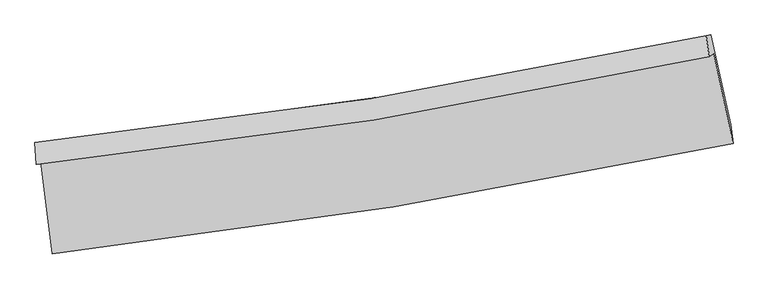
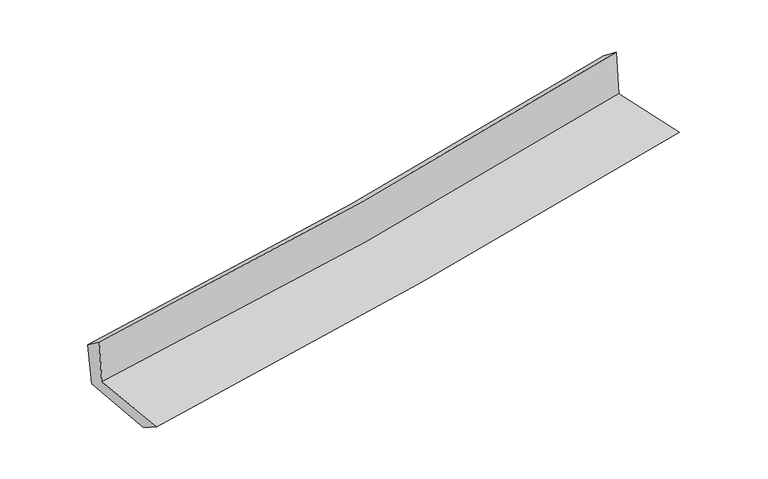
"""IFC4 building model written with IfcOpenShell, lengths in millimetres: proxy geometry."""

import ifcopenshell
import ifcopenshell.guid

model = None  # the IFC model being written
_history = None  # IfcOwnerHistory: only IFC2X3 demands one
_inside = {}  # id of a spatial element -> (the spatial element, [elements in it])
_under = {}  # id of a project, library or spatial element -> (it, [spatial elements below it])
_declared = {}  # id of a project -> (the project, [libraries it declares])
_typed = {}  # id of a type object -> (the type object, [elements of that type])
_made_of = {}  # id of a material, layer set ... -> (it, [elements and type objects made of it])


def new_model(schema):
    """Start an empty IFC model of exactly this schema.

    Asked for "IFC4X3", IfcOpenShell would pick the latest addendum, in which some entities
    have other attributes; the version numbers below select the first issue.
    IFC2X3 requires an IfcOwnerHistory on every rooted entity: one is made here for all.
    """
    global model, _history
    if schema == "IFC4X3":
        model = ifcopenshell.file(schema_version=(4, 3, 0, 0))
    else:
        model = ifcopenshell.file(schema=schema)
    _inside.clear()
    _under.clear()
    _declared.clear()
    _typed.clear()
    _made_of.clear()
    _history = None
    if model.schema == "IFC2X3":
        org = make("IfcOrganization", Name="unknown")
        user = make(
            "IfcPersonAndOrganization",
            ThePerson=make("IfcPerson", FamilyName="unknown"),
            TheOrganization=org,
        )
        app = make(
            "IfcApplication",
            ApplicationDeveloper=org,
            Version="unknown",
            ApplicationFullName="unknown",
            ApplicationIdentifier="unknown",
        )
        _history = make(
            "IfcOwnerHistory",
            OwningUser=user,
            OwningApplication=app,
            ChangeAction="ADDED",
            CreationDate=0,
        )
    return model


def make(cls, **values):
    """One entity of the class cls with the attributes given. An attribute that is None is left unset."""
    return model.create_entity(
        cls, **{name: value for name, value in values.items() if value is not None}
    )


def rooted(cls, **values):
    """An entity with a GlobalId (a new one), such as an element, a storey or a relation."""
    return make(cls, GlobalId=ifcopenshell.guid.new(), OwnerHistory=_history, **values)


def si_unit(unit_type, name, prefix=None):
    """IfcSIUnit, for example si_unit("LENGTHUNIT", "METRE", prefix="MILLI")."""
    return make("IfcSIUnit", UnitType=unit_type, Prefix=prefix, Name=name)


def assignment(units):
    """IfcUnitAssignment: the units of a project."""
    return None if units is None else make("IfcUnitAssignment", Units=units)


def point(xyz):
    """IfcCartesianPoint."""
    return None if xyz is None else make("IfcCartesianPoint", Coordinates=xyz)


def direction(xyz):
    """IfcDirection."""
    return None if xyz is None else make("IfcDirection", DirectionRatios=xyz)


def frame(location, z_axis=None, x_axis=None):
    """IfcAxis2Placement3D, a coordinate frame: its origin and axes. An axis left out is left unset."""
    return make(
        "IfcAxis2Placement3D",
        Location=point(location),
        Axis=direction(z_axis),
        RefDirection=direction(x_axis),
    )


def origin():
    """The frame at (0, 0, 0) with its axes left unset."""
    return frame((0.0, 0.0, 0.0))


def place(relative_to, where):
    """IfcLocalPlacement: puts the frame where relative to a parent placement (None: the world)."""
    return make(
        "IfcLocalPlacement", PlacementRelTo=relative_to, RelativePlacement=where
    )


def context(
    kind, dimensions, precision=None, world=None, true_north=None, identifier=None
):
    """IfcGeometricRepresentationContext, for example the 3D "Model" context."""
    return make(
        "IfcGeometricRepresentationContext",
        ContextIdentifier=identifier,
        ContextType=kind,
        CoordinateSpaceDimension=dimensions,
        Precision=precision,
        WorldCoordinateSystem=world,
        TrueNorth=true_north,
    )


def project(units=None, contexts=None):
    """IfcProject with its units and contexts."""
    return rooted(
        "IfcProject",
        Name="project",
        RepresentationContexts=contexts,
        UnitsInContext=assignment(units),
    )


def spatial(cls, under=None, at=None, **own):
    """A site, building, storey or space (cls), placed at a placement, below another one or the project."""
    s = rooted(cls, ObjectPlacement=at, **own)
    if under is not None:
        _under.setdefault(under.id(), (under, []))[1].append(s)
    return s


def shape(context_of_items, identifier, shape_type, items):
    """IfcShapeRepresentation: the items that make up one representation, for example the "Body"."""
    return make(
        "IfcShapeRepresentation",
        ContextOfItems=context_of_items,
        RepresentationIdentifier=identifier,
        RepresentationType=shape_type,
        Items=items,
    )


def source(mapping_origin, context_of_items, identifier, shape_type, items):
    """IfcRepresentationMap: a shape defined once, which mapped items show again and again."""
    return make(
        "IfcRepresentationMap",
        MappingOrigin=mapping_origin,
        MappedRepresentation=shape(context_of_items, identifier, shape_type, items),
    )


def transform(
    local_origin,
    x_axis=None,
    y_axis=None,
    z_axis=None,
    scale=None,
    scale2=None,
    scale3=None,
    uniform=True,
):
    """IfcCartesianTransformationOperator3D, or its non-uniform kind. x_axis, y_axis, z_axis: its Axis1, 2, 3."""
    if uniform:
        return make(
            "IfcCartesianTransformationOperator3D",
            Axis1=direction(x_axis),
            Axis2=direction(y_axis),
            LocalOrigin=point(local_origin),
            Scale=scale,
            Axis3=direction(z_axis),
        )
    return make(
        "IfcCartesianTransformationOperator3DnonUniform",
        Axis1=direction(x_axis),
        Axis2=direction(y_axis),
        LocalOrigin=point(local_origin),
        Scale=scale,
        Axis3=direction(z_axis),
        Scale2=scale2,
        Scale3=scale3,
    )


def mapped(mapping_source, mapping_target):
    """IfcMappedItem: shows the shape of a source again, moved by a transform."""
    return make(
        "IfcMappedItem", MappingSource=mapping_source, MappingTarget=mapping_target
    )


def made_of(thing, what):
    """Note that an element or type object is made of a material, layer set ...; save() writes the relation."""
    if what is not None:
        _made_of.setdefault(what.id(), (what, []))[1].append(thing)
    return thing


def element(
    cls,
    number,
    at=None,
    inside=None,
    cuts=None,
    type_object=None,
    material=None,
    context=None,
    identifier="Body",
    shape_type=None,
    held_by="IfcProductDefinitionShape",
    body=None,
    shapes=None,
    **own,
):
    """One element of the class cls, such as IfcWall. Its Tag is "e" and its number.

    at: its placement. inside: the storey or other place that contains it. cuts: it is an
    opening in that element (IfcRelVoidsElement). A single representation is given by context,
    identifier, shape_type and body (its items); several are given by shapes. held_by: the class
    of the entity that holds the representations. save() writes the other relations.
    """
    e = rooted(cls, Tag="e%d" % number, ObjectPlacement=at, **own)
    if body is not None:
        shapes = [shape(context, identifier, shape_type, body)]
    if shapes is not None:
        e.Representation = make(held_by, Representations=shapes)
    if inside is not None:
        _inside.setdefault(inside.id(), (inside, []))[1].append(e)
    if cuts is not None:
        rooted(
            "IfcRelVoidsElement", RelatingBuildingElement=cuts, RelatedOpeningElement=e
        )
    if type_object is not None:
        _typed.setdefault(type_object.id(), (type_object, []))[1].append(e)
    return made_of(e, material)


def aggregate(whole, parts):
    """IfcRelAggregates: a whole, such as a stair, and the parts it consists of."""
    return rooted("IfcRelAggregates", RelatingObject=whole, RelatedObjects=parts)


def save(model, path):
    """Write the relations noted so far, then the file.

    IfcRelAggregates (storeys below a building ...), IfcRelContainedInSpatialStructure (elements
    in a storey), IfcRelDefinesByType, IfcRelAssociatesMaterial and IfcRelDeclares: one each for
    every whole, place, type object, material and project.
    """
    for whole, parts in _under.values():
        aggregate(whole, parts)
    for where, things in _inside.values():
        rooted(
            "IfcRelContainedInSpatialStructure",
            RelatedElements=things,
            RelatingStructure=where,
        )
    for kind, things in _typed.values():
        rooted("IfcRelDefinesByType", RelatedObjects=things, RelatingType=kind)
    for what, things in _made_of.values():
        rooted("IfcRelAssociatesMaterial", RelatedObjects=things, RelatingMaterial=what)
    for by, libraries in _declared.values():
        rooted("IfcRelDeclares", RelatingContext=by, RelatedDefinitions=libraries)
    model.write(path)


def plane_surface(at):
    """IfcPlane: the flat surface through the origin of the frame at, square to its z axis."""
    return make("IfcPlane", Position=at)


def spline_curve(degree, points, multiplicities, knots, weights=None):
    """IfcBSplineCurveWithKnots; with weights, IfcRationalBSplineCurveWithKnots."""
    own = dict(
        Degree=degree,
        ControlPointsList=[point(p) for p in points],
        CurveForm="UNSPECIFIED",
        ClosedCurve=False,
        SelfIntersect=False,
        KnotMultiplicities=multiplicities,
        Knots=knots,
        KnotSpec="UNSPECIFIED",
    )
    if weights is None:
        return make("IfcBSplineCurveWithKnots", **own)
    return make("IfcRationalBSplineCurveWithKnots", WeightsData=weights, **own)


def spline_surface(u_degree, v_degree, points, u_multiplicities, v_multiplicities, u_knots, v_knots, weights=None):
    """IfcBSplineSurfaceWithKnots; with weights, IfcRationalBSplineSurfaceWithKnots. points: one row for each step in u."""
    own = dict(
        UDegree=u_degree,
        VDegree=v_degree,
        ControlPointsList=[[point(p) for p in row] for row in points],
        SurfaceForm="UNSPECIFIED",
        UClosed=False,
        VClosed=False,
        SelfIntersect=False,
        UMultiplicities=u_multiplicities,
        VMultiplicities=v_multiplicities,
        UKnots=u_knots,
        VKnots=v_knots,
        KnotSpec="UNSPECIFIED",
    )
    if weights is None:
        return make("IfcBSplineSurfaceWithKnots", **own)
    return make("IfcRationalBSplineSurfaceWithKnots", WeightsData=weights, **own)


def advanced_brep(points, edges, surfaces, faces):
    """IfcAdvancedBrep: a solid bounded by faces that lie on surfaces and meet in shared edges.

    An edge is (start, end): straight between two places in points (the first is 0);
    or (start, end, curve); or (start, end, curve, False) where it runs against its curve.
    A face is (place in surfaces, loops), or (place, loops, False) where it looks against
    its surface's normal. A loop lists edges by number (the first is 1), with a minus sign
    where the edge is run from its end to its start. The first loop is the outer one.
    """
    corners = [point(p) for p in points]
    vertices = [make("IfcVertexPoint", VertexGeometry=c) for c in corners]
    made = []
    for start, end, *more in edges:
        made.append(
            make(
                "IfcEdgeCurve",
                EdgeStart=vertices[start],
                EdgeEnd=vertices[end],
                EdgeGeometry=more[0] if more else make("IfcPolyline", Points=[corners[start], corners[end]]),
                SameSense=more[1] if len(more) > 1 else True,
            )
        )
    hull = []
    for where, loops, *sense in faces:
        bounds = []
        for j, loop in enumerate(loops):
            ring = [make("IfcOrientedEdge", EdgeElement=made[abs(k) - 1], Orientation=k > 0) for k in loop]
            bounds.append(
                make(
                    "IfcFaceOuterBound" if j == 0 else "IfcFaceBound",
                    Bound=make("IfcEdgeLoop", EdgeList=ring),
                    Orientation=True,
                )
            )
        hull.append(make("IfcAdvancedFace", Bounds=bounds, FaceSurface=surfaces[where], SameSense=sense[0] if sense else True))
    return make("IfcAdvancedBrep", Outer=make("IfcClosedShell", CfsFaces=hull))


def generic_models_6ede402a(model_context):
    return source(origin(), model_context, "Body", "AdvancedBrep", [
        advanced_brep(
        [(-2514.131384, -1873.5671263, 1674.7294955), (-2426.6528578, -2557.0779267, 1644.9398014), (2599.1199911, -1740.4665385, 2105.1071188), (2456.4174118, -1075.5753135, 2108.1425266), (-2546.1023443, -1894.1861224, 2061.4387053), (2422.7444685, -1097.2919676, 2515.4383084), (-2555.7191046, -1733.2563694, 1945.4871906), (2401.0430256, -942.7348454, 2394.2412524), (-2522.3000251, -1736.8101211, 1576.1541924), (2434.3340678, -936.1861881, 2025.5321907), (-2438.7035081, -2377.7027463, 1530.611638), (2580.3284144, -1599.6728726, 1984.3161358)],
        [
            (0, 1),
            (1, 2, spline_curve(3, [(-2426.6528578, -2557.0779267, 1644.9398014), (-1584.918487959, -2459.397891117, 1730.270686061), (-745.944636482, -2342.655167701, 1811.225629062), (929.331827645, -2070.581523761, 1964.644611938), (1765.61559236, -1915.120450811, 2037.078774708), (2599.1199911, -1740.4665385, 2105.1071188)], [4, 2, 4], [0.0, 8.326701916424526, 16.681781054965157])),
            (2, 3),
            (3, 0, spline_curve(3, [(2456.4174118, -1075.5753135, 2108.1425266), (1634.111232053, -1256.234062128, 2037.371662315), (808.034727058, -1413.135530981, 1965.805687926), (-848.840439171, -1678.971697396, 1821.329285734), (-1679.61353273, -1788.06749936, 1748.424249996), (-2514.131384, -1873.5671263, 1674.7294955)], [4, 2, 4], [0.0, 8.355079138540631, 16.681781054965157])),
            (4, 0),
            (3, 5),
            (5, 4, spline_curve(3, [(2422.7444685, -1097.2919676, 2515.4383084), (1600.438667255, -1277.950472301, 2444.662865793), (774.504666158, -1434.760036208, 2371.373216958), (-881.802208785, -1700.229694833, 2220.022966341), (-1712.150478307, -1809.051515842, 2141.979414273), (-2546.1023443, -1894.1861224, 2061.4387053)], [4, 2, 4], [0.0, 8.306808420669327, 16.585403566069733])),
            (6, 4),
            (5, 7),
            (7, 6, spline_curve(3, [(2401.0430256, -942.7348454, 2394.2412524), (1580.484390682, -1120.462590314, 2322.955850837), (756.432972385, -1275.276406229, 2249.850272861), (-895.844756755, -1538.6281955, 2100.253242452), (-1724.047381834, -1647.321553914, 2023.774133154), (-2555.7191046, -1733.2563694, 1945.4871906)], [4, 2, 4], [0.0, 8.295692812311968, 16.56321010244892])),
            (8, 6),
            (7, 9),
            (9, 8, spline_curve(3, [(2434.3340678, -936.1861881, 2025.5321907), (1613.96449576, -1112.178116521, 1947.648411742), (790.018154281, -1266.970234789, 1871.197085608), (-862.217465084, -1533.701117395, 1721.414133175), (-1690.482488032, -1645.783643514, 1648.072793447), (-2522.3000251, -1736.8101211, 1576.1541924)], [4, 2, 4], [0.0, 8.285524089343912, 16.54290719360163])),
            (10, 8),
            (9, 11),
            (11, 10, spline_curve(3, [(2580.3284144, -1599.6728726, 1984.3161358), (1746.449859222, -1756.46571114, 1906.497674619), (910.542991265, -1899.785364418, 1829.717182276), (-762.481404075, -2159.037290549, 1678.489388513), (-1599.585177055, -2275.060928232, 1604.035048151), (-2438.7035081, -2377.7027463, 1530.611638)], [4, 2, 4], [0.0, 8.333283753954316, 16.638264311718462])),
            (1, 10),
            (11, 2),
        ],
        [
            spline_surface(3, 3, [[(-2514.131384, -1873.5671263, 1674.7294955), (-1679.613532686, -1788.067499487, 1748.424249867), (-848.840439152, -1678.971697365, 1821.329285713), (808.034727039, -1413.135531013, 1965.805687947), (1634.111232127, -1256.23406219, 2037.371662452), (2456.4174118, -1075.5753135, 2108.1425266)], [(-2484.97187527, -2101.404059749, 1664.799597468), (-1648.048517798, -2011.84429669, 1742.373061899), (-814.541838231, -1900.199520836, 1817.961400149), (848.467093872, -1632.28419521, 1965.418662587), (1677.946018828, -1475.862858416, 2037.274033161), (2503.984938233, -1297.205721839, 2107.130723986)], [(-2455.81236653, -2329.240993251, 1654.869699432), (-1616.483502902, -2235.621093946, 1736.321873926), (-780.243237304, -2121.427344347, 1814.593514641), (888.899460712, -1851.432859447, 1965.031637283), (1721.780805528, -1695.491654626, 2037.176403909), (2551.552464667, -1518.836130161, 2106.118921414)], [(-2426.6528578, -2557.0779267, 1644.9398014), (-1584.918488015, -2459.397891149, 1730.270685957), (-745.944636382, -2342.655167818, 1811.225629077), (929.331827545, -2070.581523645, 1964.644611923), (1765.615592229, -1915.120450852, 2037.078774618), (2599.1199911, -1740.4665385, 2105.1071188)]], [4, 4], [4, 2, 4], [0.0, 2.19825083757981], [0.0, 8.326701916424526, 16.681781054965157]),
            spline_surface(3, 3, [[(-2546.1023443, -1894.1861224, 2061.4387053), (-1712.150478329, -1809.051515888, 2141.979414315), (-881.802208692, -1700.229694913, 2220.02296638), (774.504666064, -1434.760036127, 2371.373216919), (1600.438667339, -1277.950472177, 2444.662865911), (2422.7444685, -1097.2919676, 2515.4383084)], [(-2535.445357511, -1887.313123701, 1932.535635361), (-1701.30482976, -1802.056843755, 2010.794359493), (-870.814952172, -1693.143695721, 2087.125072845), (785.681353062, -1427.551867747, 2236.184040616), (1611.662855601, -1270.711668859, 2308.899131439), (2433.968782933, -1090.053082911, 2379.673047814)], [(-2524.788370789, -1880.440124999, 1803.632565439), (-1690.459181256, -1795.06217162, 1879.609304689), (-859.827695672, -1686.057696557, 1954.227179248), (796.85804004, -1420.343699393, 2100.994864251), (1622.887043864, -1263.472865509, 2173.135396925), (2445.193097367, -1082.814198189, 2243.907787186)], [(-2514.131384, -1873.5671263, 1674.7294955), (-1679.613532686, -1788.067499487, 1748.424249867), (-848.840439152, -1678.971697365, 1821.329285713), (808.034727039, -1413.135531013, 1965.805687947), (1634.111232127, -1256.23406219, 2037.371662452), (2456.4174118, -1075.5753135, 2108.1425266)]], [4, 4], [4, 2, 4], [0.0, 1.3257334698275836], [0.0, 8.278595145400406, 16.585403566069733]),
            spline_surface(3, 3, [[(-2555.7191046, -1733.2563694, 1945.4871906), (-1724.047381735, -1647.321554019, 2023.774133134), (-895.844756645, -1538.628195413, 2100.253242468), (756.432972275, -1275.276406315, 2249.850272845), (1580.484390571, -1120.462590283, 2322.955850777), (2401.0430256, -942.7348454, 2394.2412524)], [(-2552.513517851, -1786.899620405, 1984.137695509), (-1720.081747284, -1701.231541314, 2063.175893536), (-891.163907352, -1592.495361936, 2140.176483766), (762.45687018, -1328.437616276, 2290.357920864), (1587.135816147, -1172.958550929, 2363.524855819), (2408.276839886, -994.253886148, 2434.640271064)], [(-2549.307931049, -1840.542871395, 2022.788200391), (-1716.116112781, -1755.141528593, 2102.577653912), (-886.483057985, -1646.36252839, 2180.099725082), (768.480768159, -1381.598826167, 2330.865568901), (1593.787241763, -1225.454511531, 2404.093860869), (2415.510654214, -1045.772926852, 2475.039289736)], [(-2546.1023443, -1894.1861224, 2061.4387053), (-1712.150478329, -1809.051515888, 2141.979414315), (-881.802208692, -1700.229694913, 2220.02296638), (774.504666064, -1434.760036127, 2371.373216919), (1600.438667339, -1277.950472177, 2444.662865911), (2422.7444685, -1097.2919676, 2515.4383084)]], [4, 4], [4, 2, 4], [0.0, 0.6609655898542675], [0.0, 8.267517290136952, 16.56321010244892]),
            spline_surface(3, 3, [[(-2522.3000251, -1736.8101211, 1576.1541924), (-1690.482487911, -1645.783643526, 1648.072793327), (-862.217465078, -1533.701117429, 1721.414133266), (790.018154275, -1266.970234755, 1871.197085517), (1613.964495728, -1112.178116556, 1947.648411672), (2434.3340678, -936.1861881, 2025.5321907)], [(-2533.439718266, -1735.625537188, 1699.265191792), (-1701.670785852, -1646.296280345, 1773.306573254), (-873.426562245, -1535.343476733, 1847.693836328), (778.82309363, -1269.738958584, 1997.414814621), (1602.804460676, -1114.939607791, 2072.750891363), (2423.237053733, -938.369073859, 2148.435211256)], [(-2544.579411434, -1734.440953312, 1822.376191208), (-1712.859083794, -1646.8089172, 1898.540353206), (-884.635659478, -1536.98583611, 1973.973539406), (767.62803292, -1272.507682486, 2123.632543741), (1591.644425623, -1117.701099048, 2197.853371086), (2412.140039667, -940.551959641, 2271.338231844)], [(-2555.7191046, -1733.2563694, 1945.4871906), (-1724.047381735, -1647.321554019, 2023.774133134), (-895.844756645, -1538.628195413, 2100.253242468), (756.432972275, -1275.276406315, 2249.850272845), (1580.484390571, -1120.462590283, 2322.955850777), (2401.0430256, -942.7348454, 2394.2412524)]], [4, 4], [4, 2, 4], [0.0, 1.2476754768872942], [0.0, 8.257383104257716, 16.54290719360163]),
            spline_surface(3, 3, [[(-2438.7035081, -2377.7027463, 1530.611638), (-1599.585176968, -2275.060928234, 1604.035048038), (-762.481404094, -2159.037290422, 1678.48938847), (910.542991284, -1899.785364546, 1829.717182319), (1746.449859235, -1756.465711074, 1906.497674487), (2580.3284144, -1599.6728726, 1984.3161358)], [(-2466.569013758, -2164.071871253, 1545.792489477), (-1629.884280607, -2065.301833352, 1618.714296478), (-795.72675776, -1950.59189942, 1692.797636742), (870.36804561, -1688.846987945, 1843.543816725), (1702.288071411, -1541.703179544, 1920.214586895), (2531.663632212, -1378.510644409, 1998.05482078)], [(-2494.434519442, -1950.440996147, 1560.973340923), (-1660.183384272, -1855.542738409, 1633.393544887), (-828.972111413, -1742.146508431, 1707.105884994), (830.193099949, -1477.908611356, 1857.370451111), (1658.126283552, -1326.940648086, 1933.931499264), (2482.998849988, -1157.348416291, 2011.79350572)], [(-2522.3000251, -1736.8101211, 1576.1541924), (-1690.482487911, -1645.783643526, 1648.072793327), (-862.217465078, -1533.701117429, 1721.414133266), (790.018154275, -1266.970234755, 1871.197085517), (1613.964495728, -1112.178116556, 1947.648411672), (2434.3340678, -936.1861881, 2025.5321907)]], [4, 4], [4, 2, 4], [0.0, 2.099915932065201], [0.0, 8.304980557764146, 16.638264311718462]),
            spline_surface(3, 3, [[(-2426.6528578, -2557.0779267, 1644.9398014), (-1584.918488015, -2459.397891149, 1730.270685957), (-745.944636382, -2342.655167818, 1811.225629077), (929.331827545, -2070.581523645, 1964.644611923), (1765.615592229, -1915.120450852, 2037.078774618), (2599.1199911, -1740.4665385, 2105.1071188)], [(-2430.669741244, -2497.286199904, 1606.830413592), (-1589.807384343, -2397.952236848, 1688.192139977), (-751.456892284, -2281.449208714, 1766.980215545), (923.068882127, -2013.649470639, 1919.668802059), (1759.227014566, -1862.235537593, 1993.551741241), (2592.856132202, -1693.535316534, 2064.8434578)], [(-2434.686624656, -2437.494473096, 1568.721025808), (-1594.69628064, -2336.506582535, 1646.113594019), (-756.969148192, -2220.243249526, 1722.734802002), (916.805936702, -1956.717417551, 1874.692992184), (1752.838436898, -1809.350624333, 1950.024707864), (2586.592273298, -1646.604094566, 2024.5797968)], [(-2438.7035081, -2377.7027463, 1530.611638), (-1599.585176968, -2275.060928234, 1604.035048038), (-762.481404094, -2159.037290422, 1678.48938847), (910.542991284, -1899.785364546, 1829.717182319), (1746.449859235, -1756.465711074, 1906.497674487), (2580.3284144, -1599.6728726, 1984.3161358)]], [4, 4], [4, 2, 4], [0.0, 0.7308149849662156], [0.0, 8.36325176108159, 16.755005305368485]),
            plane_surface(frame((2482.3312299, -1231.9879543, 2188.7962555), z_axis=(0.9737076305740262, 0.20856416436571312, 0.0916211738865402), x_axis=(-0.08991094110437228, -0.017686317396376872, 0.9957927579806356))),
            plane_surface(frame((-2500.6015373, -2028.7667354, 1738.8935039), z_axis=(-0.9885150197498924, -0.12266731863126708, -0.08826542170456725), x_axis=(-0.12683017393300838, 0.9909837015694625, 0.04319039480960267))),
        ],
        [
            (0, [[1, 2, 3, 4]]),
            (1, [[5, -4, 6, 7]]),
            (2, [[8, -7, 9, 10]]),
            (3, [[11, -10, 12, 13]]),
            (4, [[14, -13, 15, 16]]),
            (5, [[17, -16, 18, -2]]),
            (6, [[-12, -9, -6, -3, -18, -15]]),
            (7, [[-1, -5, -8, -11, -14, -17]]),
        ],
    ),
    ])


if __name__ == "__main__":
    model = new_model("IFC4")
    model_context = context("Model", 3, world=origin())
    ifc_project = project(units=[si_unit("LENGTHUNIT", "METRE", prefix="MILLI")], contexts=[model_context])
    site = spatial("IfcSite", under=ifc_project)
    building = spatial("IfcBuilding", under=site)
    placement = place(None, origin())
    generic_models_shape = generic_models_6ede402a(model_context)
    element("IfcBuildingElementProxy", 1, Name="Generic Models", at=placement, inside=building, context=model_context, shape_type="MappedRepresentation", body=[
        mapped(generic_models_shape, transform((0.0, 0.0, 0.0), x_axis=(1.0, 0.0, 0.0), y_axis=(0.0, 1.0, 0.0), z_axis=(0.0, 0.0, 1.0))),
    ])
    save(model, "model.ifc")
